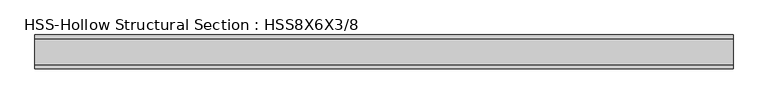
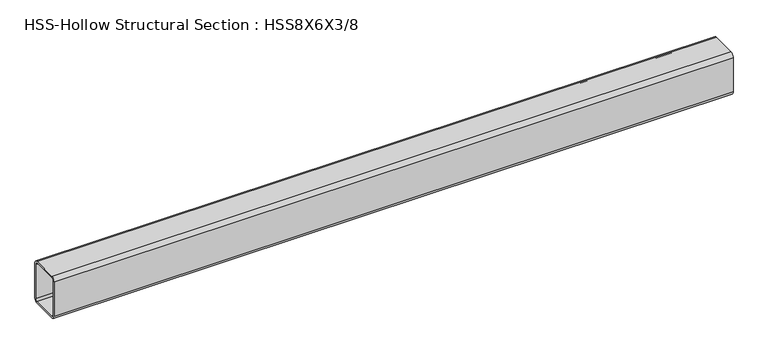
"""IFC4 building model written with IfcOpenShell, lengths in millimetres: beam geometry, HSS-Hollow Structural Section : HSS8X6X3/8."""

from ifc_helpers import new_model, si_unit, point, frame, frame_2d, origin, place, context, project, spatial, polyline, circle_curve, trimmed, segment, composite_curve, outline, extrude, source, transform, mapped, element, save


def hss_hollow_structural_section_hss8x6x3_8_5184479f(model_context):
    return source(origin(), model_context, "Body", "SweptSolid", [
        extrude(outline(composite_curve([segment(polyline([(76.2, 83.8708), (76.2, -83.8708)]), True, "CONTINUOUS"), segment(trimmed(circle_curve(frame_2d((58.4708, -83.8708)), 17.7292), [point((76.2, -83.8708))], [point((58.4708, -101.6))], False, "CARTESIAN"), True, "CONTINUOUS"), segment(polyline([(58.4708, -101.6), (-58.4708, -101.6)]), True, "CONTINUOUS"), segment(trimmed(circle_curve(frame_2d((-58.4708, -83.8708)), 17.7292), [point((-58.4708, -101.6))], [point((-76.2, -83.8708))], False, "CARTESIAN"), True, "CONTINUOUS"), segment(polyline([(-76.2, -83.8708), (-76.2, 83.8708)]), True, "CONTINUOUS"), segment(trimmed(circle_curve(frame_2d((-58.4708, 83.8708)), 17.7292), [point((-76.2, 83.8708))], [point((-58.4708, 101.6))], False, "CARTESIAN"), True, "CONTINUOUS"), segment(polyline([(-58.4708, 101.6), (58.4708, 101.6)]), True, "CONTINUOUS"), segment(trimmed(circle_curve(frame_2d((58.4708, 83.8708)), 17.7292), [point((58.4708, 101.6))], [point((76.2, 83.8708))], False, "CARTESIAN"), True, "CONTINUOUS")], self_intersect=False), holes=[composite_curve([segment(trimmed(circle_curve(frame_2d((-58.4708, 83.8708)), 8.8646), [point((-58.4708, 92.7354))], [point((-67.3354, 83.8708))], True, "CARTESIAN"), True, "CONTINUOUS"), segment(polyline([(-67.3354, 83.8708), (-67.3354, -83.8708)]), True, "CONTINUOUS"), segment(trimmed(circle_curve(frame_2d((-58.4708, -83.8708)), 8.8646), [point((-67.3354, -83.8708))], [point((-58.4708, -92.7354))], True, "CARTESIAN"), True, "CONTINUOUS"), segment(polyline([(-58.4708, -92.7354), (58.4708, -92.7354)]), True, "CONTINUOUS"), segment(trimmed(circle_curve(frame_2d((58.4708, -83.8708)), 8.8646), [point((58.4708, -92.7354))], [point((67.3354, -83.8708))], True, "CARTESIAN"), True, "CONTINUOUS"), segment(polyline([(67.3354, -83.8708), (67.3354, 83.8708)]), True, "CONTINUOUS"), segment(trimmed(circle_curve(frame_2d((58.4708, 83.8708)), 8.8646), [point((67.3354, 83.8708))], [point((58.4708, 92.7354))], True, "CARTESIAN"), True, "CONTINUOUS"), segment(polyline([(58.4708, 92.7354), (-58.4708, 92.7354)]), True, "CONTINUOUS")], self_intersect=False)]), frame((-1513.2600154, 0.0, 0.0), z_axis=(1.0, 0.0, 0.0), x_axis=(0.0, 1.0, 0.0)), (0.0, 0.0, 1.0), 3128.1200308),
    ])


if __name__ == "__main__":
    model = new_model("IFC4")
    model_context = context("Model", 3, world=origin())
    ifc_project = project(units=[si_unit("LENGTHUNIT", "METRE", prefix="MILLI")], contexts=[model_context])
    site = spatial("IfcSite", under=ifc_project)
    building = spatial("IfcBuilding", under=site)
    placement = place(None, origin())
    hss_hollow_structural_section_hss8x6x3_8_shape = hss_hollow_structural_section_hss8x6x3_8_5184479f(model_context)
    element("IfcBeam", 1, ObjectType="HSS-Hollow Structural Section : HSS8X6X3/8", at=placement, inside=building, context=model_context, shape_type="MappedRepresentation", body=[
        mapped(hss_hollow_structural_section_hss8x6x3_8_shape, transform((0.0, 0.0, 0.0), x_axis=(1.0, 0.0, 0.0), y_axis=(0.0, 1.0, 0.0), z_axis=(0.0, 0.0, 1.0))),
    ])
    save(model, "model.ifc")
